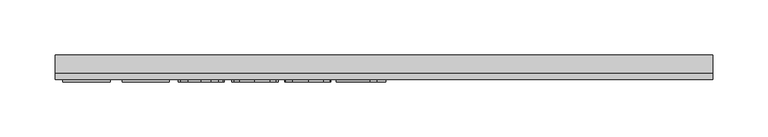
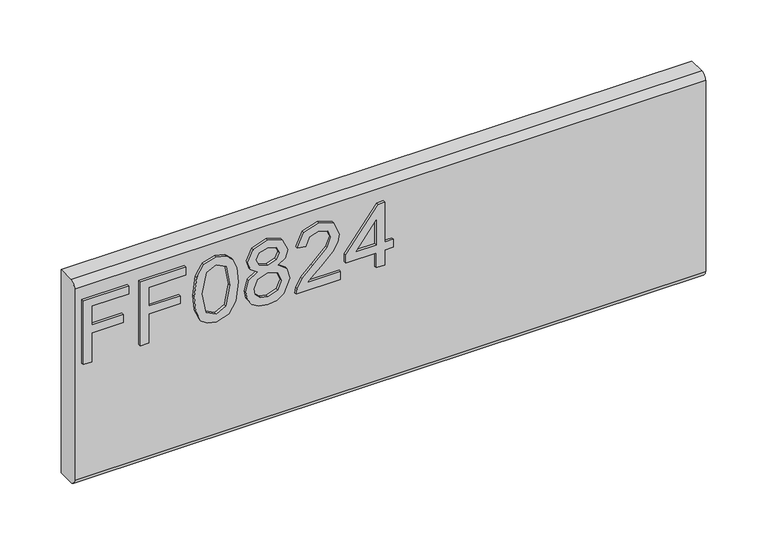
"""IFC4 building model written with IfcOpenShell, lengths in millimetres: furniture geometry."""

from ifc_helpers import new_model, si_unit, frame, origin, place, context, project, spatial, polyline, circle_curve, outline, extrude, source, transform, mapped, element, save
from ifc_brep_helpers import plane_surface, cylinder_surface, advanced_brep


def furniture_ee5b236f(model_context):
    return source(origin(), model_context, "Body", "SolidModel", [
        extrude(outline(polyline([(882.65, -291.4729953), (882.65, -283.4992757), (911.5547336, -283.4992757), (911.5547336, -253.5978271), (919.5284532, -253.5978271), (919.5284532, -283.4992757), (938.4660373, -283.4992757), (938.4660373, -248.6142524), (946.4397569, -248.6142524), (946.4397569, -291.4729953), (882.65, -291.4729953)])), frame((0.0, -15.0812439, 0.0), z_axis=(0.0, 1.0, 0.0), x_axis=(0.0, 0.0, 1.0)), (0.0, 0.0, 1.0), 2.38125),
        extrude(outline(polyline([(882.65, -237.6503879), (882.65, -229.6766683), (911.5547336, -229.6766683), (911.5547336, -199.7752197), (919.5284532, -199.7752197), (919.5284532, -229.6766683), (938.4660373, -229.6766683), (938.4660373, -194.791645), (946.4397569, -194.791645), (946.4397569, -237.6503879), (882.65, -237.6503879)])), frame((0.0, -15.0812439, 0.0), z_axis=(0.0, 1.0, 0.0), x_axis=(0.0, 0.0, 1.0)), (0.0, 0.0, 1.0), 2.38125),
        extrude(outline(polyline([(914.0309473, -186.8179253), (898.5156775, -185.2294109), (887.7270168, -180.4638675), (883.171718, -174.1721044), (881.653285, -165.8869113), (885.1495742, -154.2144448), (895.7552443, -147.2763743), (914.0309473, -144.9558974), (929.0206058, -146.4042488), (938.4582505, -150.1419298), (944.3840324, -156.573856), (946.4397569, -165.8869113), (942.9668283, -177.5126568), (932.3845188, -184.4740878), (914.0309473, -186.8179253)]), holes=[polyline([(914.046521, -178.8442057), (934.1988514, -174.9819353), (938.4660373, -165.9803534), (933.6226256, -156.5427087), (914.046521, -152.929617), (894.2601718, -156.667298), (889.6270047, -165.8869113), (894.2445982, -175.1065247), (914.046521, -178.8442057)])]), frame((0.0, -15.0812439, 0.0), z_axis=(0.0, 1.0, 0.0), x_axis=(0.0, 0.0, 1.0)), (0.0, 0.0, 1.0), 2.38125),
        extrude(outline(polyline([(917.7842021, -126.360934), (911.9907964, -134.9576005), (901.4318474, -137.9788927), (893.6742125, -136.5383281), (887.3143145, -132.2166344), (883.0685424, -125.5433163), (881.653285, -117.0478787), (883.0627023, -108.5524411), (887.290954, -101.879123), (901.213816, -96.1168647), (911.5313731, -99.0213544), (917.7842021, -107.5012183), (922.713269, -100.4385584), (930.2275653, -98.1102946), (941.7209346, -103.3430481), (946.4397569, -117.1568944), (941.8299503, -130.8461513), (930.4455967, -135.9854628), (922.7366295, -133.6260516), (917.7842021, -126.360934)]), holes=[polyline([(930.2119916, -128.0117432), (936.0365446, -125.1384008), (938.4660373, -117.0478787), (935.9820368, -108.980717), (929.8537972, -106.0840142), (923.9358022, -108.887275), (921.5218831, -116.9544367), (923.9513758, -125.1851219), (930.2119916, -128.0117432)]), polyline([(901.7121735, -130.0051731), (910.1686769, -126.6334733), (913.5481635, -117.2503364), (910.1219559, -107.5946603), (901.4629947, -104.0905843), (892.9675571, -107.4856446), (889.6270047, -116.985584), (891.2155191, -123.9625887), (895.7085232, -128.6736242), (901.7121735, -130.0051731)])]), frame((0.0, -15.0812439, 0.0), z_axis=(0.0, 1.0, 0.0), x_axis=(0.0, 0.0, 1.0)), (0.0, 0.0, 1.0), 2.38125),
        extrude(outline(polyline([(890.6237196, -48.274547), (890.6237196, -79.5931996), (894.6806609, -75.9956816), (902.350694, -66.8227893), (913.2756243, -55.3995015), (921.0936072, -50.688466), (928.6546245, -49.2712619), (941.3315928, -54.5273759), (946.4397569, -68.8006455), (941.845524, -83.0271941), (928.4988878, -89.13986), (927.5021729, -81.1661404), (935.5537608, -77.8100143), (938.4660373, -68.9719559), (935.4836793, -60.492092), (928.1718407, -57.2449816), (919.1391115, -60.6867629), (905.85477, -74.4538881), (896.6117962, -84.4366113), (888.1475059, -89.2800231), (882.65, -90.136575), (882.65, -48.274547), (890.6237196, -48.274547)])), frame((0.0, -15.0812439, 0.0), z_axis=(0.0, 1.0, 0.0), x_axis=(0.0, 0.0, 1.0)), (0.0, 0.0, 1.0), 2.38125),
        extrude(outline(polyline([(882.65, -14.3862386), (882.65, -6.412519), (897.6007243, -6.412519), (897.6007243, 1.5612006), (905.5744439, 1.5612006), (905.5744439, -6.412519), (945.443042, -6.412519), (945.443042, -12.3928087), (905.5744439, -43.2909722), (897.6007243, -43.2909722), (897.6007243, -14.3862386), (882.65, -14.3862386)]), holes=[polyline([(905.5744439, -14.3862386), (905.5744439, -33.4795594), (930.2119916, -14.3862386), (905.5744439, -14.3862386)])]), frame((0.0, -15.0812439, 0.0), z_axis=(0.0, 1.0, 0.0), x_axis=(0.0, 0.0, 1.0)), (0.0, 0.0, 1.0), 2.38125),
        advanced_brep(
        [(298.45, 9.5250061, 965.2), (298.45, -6.7309939, 965.2), (298.45, -12.6999939, 959.231), (298.45, -12.6999939, 767.969), (298.45, -6.7309939, 762.0), (298.45, 9.5250061, 762.0), (-298.45, 9.5250061, 965.2), (-298.45, 9.5250061, 762.0), (-298.45, -6.7309939, 762.0), (-298.45, -12.6999939, 767.969), (-298.45, -12.6999939, 959.2310121), (-298.45, -6.7309939, 965.2)],
        [
            (0, 1),
            (1, 2, circle_curve(frame((298.45, -6.7309939, 959.231), z_axis=(1.0, 0.0, 0.0), x_axis=(0.0, 1.0, 0.0)), 5.969)),
            (2, 3),
            (3, 4, circle_curve(frame((298.45, -6.7309939, 767.969), z_axis=(1.0, 0.0, 0.0), x_axis=(0.0, 1.0, 0.0)), 5.969)),
            (4, 5),
            (5, 0),
            (6, 7),
            (7, 8),
            (8, 9, circle_curve(frame((-298.45, -6.7309939, 767.969), z_axis=(-1.0, 0.0, 0.0), x_axis=(0.0, 1.0, 0.0)), 5.969)),
            (9, 10),
            (10, 11, circle_curve(frame((-298.45, -6.7309939, 959.231), z_axis=(-1.0, 0.0, 0.0), x_axis=(0.0, 1.0, 0.0)), 5.969)),
            (11, 6),
            (0, 6),
            (11, 1),
            (10, 2),
            (9, 3),
            (8, 4),
            (7, 5),
        ],
        [
            plane_surface(frame((298.45, -6.7309939, 965.2), z_axis=(1.0, 0.0, 0.0), x_axis=(0.0, -1.0, 0.0))),
            plane_surface(frame((-298.45, -6.7309939, 965.2), z_axis=(-1.0, 0.0, 0.0), x_axis=(0.0, 1.0, 0.0))),
            plane_surface(frame((298.45, 9.5250061, 965.2), z_axis=(0.0, 0.0, 1.0), x_axis=(-1.0, 0.0, 0.0))),
            cylinder_surface(frame((-298.45, -6.7309939, 959.231), z_axis=(1.0, 0.0, 0.0), x_axis=(0.0, 1.0, 0.0)), 5.969),
            plane_surface(frame((298.45, -12.6999939, 959.2310121), z_axis=(0.0, -1.0, 0.0), x_axis=(-1.0, 0.0, 0.0))),
            cylinder_surface(frame((-298.45, -6.7309939, 767.969), z_axis=(1.0, 0.0, 0.0), x_axis=(0.0, 1.0, 0.0)), 5.969),
            plane_surface(frame((298.45, -6.7309939, 762.0), z_axis=(0.0, 0.0, -1.0), x_axis=(-1.0, 0.0, 0.0))),
            plane_surface(frame((298.45, 9.5250061, 762.0), z_axis=(0.0, 1.0, 0.0), x_axis=(-1.0, 0.0, 0.0))),
        ],
        [
            (0, [[1, 2, 3, 4, 5, 6]]),
            (1, [[7, 8, 9, 10, 11, 12]]),
            (2, [[-1, 13, -12, 14]]),
            (3, [[-2, -14, -11, 15]]),
            (4, [[-3, -15, -10, 16]]),
            (5, [[-4, -16, -9, 17]]),
            (6, [[-5, -17, -8, 18]]),
            (7, [[-6, -18, -7, -13]]),
        ],
    ),
    ])


if __name__ == "__main__":
    model = new_model("IFC4")
    model_context = context("Model", 3, world=origin())
    ifc_project = project(units=[si_unit("LENGTHUNIT", "METRE", prefix="MILLI")], contexts=[model_context])
    site = spatial("IfcSite", under=ifc_project)
    building = spatial("IfcBuilding", under=site)
    placement = place(None, origin())
    furniture_shape = furniture_ee5b236f(model_context)
    element("IfcFurniture", 1, at=placement, inside=building, context=model_context, shape_type="MappedRepresentation", body=[
        mapped(furniture_shape, transform((0.0, 0.0, 0.0), x_axis=(1.0, 0.0, 0.0), y_axis=(0.0, 1.0, 0.0), z_axis=(0.0, 0.0, 1.0))),
    ])
    save(model, "model.ifc")
